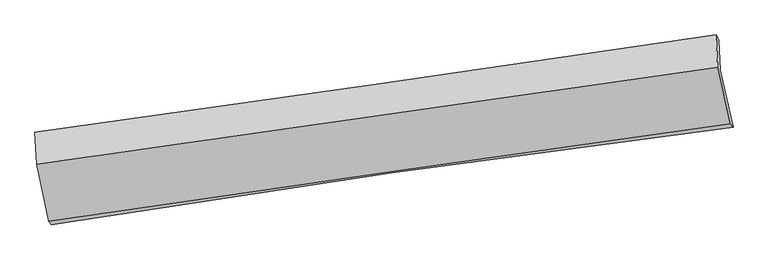
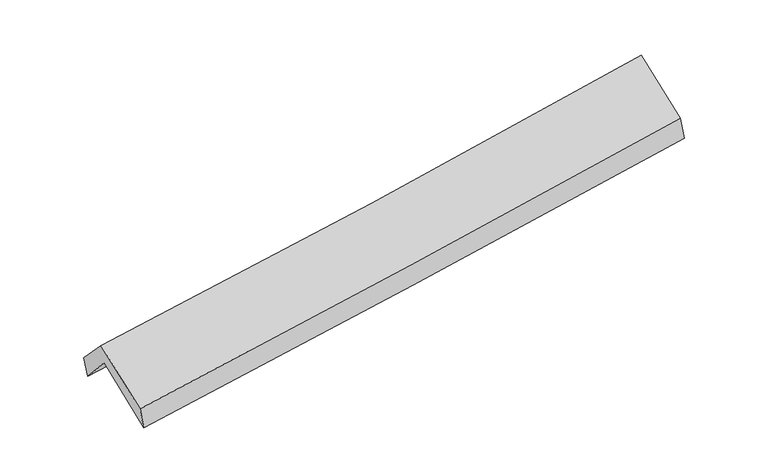
"""IFC4 building model written with IfcOpenShell, lengths in millimetres: proxy geometry."""

from ifc_helpers import new_model, si_unit, frame, origin, place, context, project, spatial, source, transform, mapped, element, save
from ifc_brep_helpers import plane_surface, spline_curve, spline_surface, advanced_brep


def generic_models_7657c694(model_context):
    return source(origin(), model_context, "Body", "AdvancedBrep", [
        advanced_brep(
        [(-2893.9854022, -2516.3155522, 1449.1109474), (-3003.8707403, -2017.3923666, 1882.9925855), (2941.545532, -1171.0574581, 2377.9706333), (3055.059267, -1666.5793933, 1940.3698475), (-3015.969814, -1750.9991603, 1578.2008838), (2929.4462675, -904.6600497, 2073.1741239), (-3037.4607689, -1711.5320956, 1759.9452885), (2906.0927457, -861.1326661, 2259.3277119), (-3022.6836102, -1989.9854002, 2053.9967344), (2921.1482014, -1143.0978295, 2557.109983), (-2914.8988621, -2487.0790587, 1641.260789), (3031.7155518, -1636.0058714, 2147.7303531)],
        [
            (0, 1),
            (1, 2, spline_curve(3, [(-3003.8707403, -2017.3923666, 1882.9925855), (-2011.11459181, -1863.873374327, 1931.602236288), (-1018.896745455, -1716.535464781, 1997.200927059), (962.906991649, -1434.443202357, 2162.246859326), (1952.494569027, -1299.669475616, 2261.640850956), (2941.545532, -1171.0574581, 2377.9706333)], [4, 2, 4], [0.0, 9.897187642848666, 19.7788525105735])),
            (2, 3),
            (3, 0, spline_curve(3, [(3055.059267, -1666.5793933, 1940.3698475), (2063.958392176, -1789.665309441, 1832.132100238), (1073.043162471, -1921.956809659, 1737.096744303), (-909.972310868, -2205.173251954, 1573.302266844), (-1902.071970866, -2356.127137802, 1504.584656096), (-2893.9854022, -2516.3155522, 1449.1109474)], [4, 2, 4], [0.0, 9.881664867724835, 19.7788525105735])),
            (1, 4),
            (4, 5, spline_curve(3, [(-3015.969814, -1750.9991603, 1578.2008838), (-2023.017970121, -1601.788921869, 1631.740361689), (-1030.702368638, -1456.603348093, 1699.80163052), (951.100997523, -1174.502925649, 1864.838226592), (1940.590756625, -1037.575462955, 1961.768038094), (2929.4462675, -904.6600497, 2073.1741239)], [4, 2, 4], [0.0, 9.89403117418702, 19.772544523863957])),
            (5, 2),
            (4, 6),
            (6, 7, spline_curve(3, [(-3037.4607689, -1711.5320956, 1759.9452885), (-2044.078132622, -1573.89371586, 1825.91854464), (-1051.702761255, -1434.150638877, 1900.559832275), (929.478586311, -1150.677565545, 2067.04780877), (1918.287720112, -1006.954165775, 2158.867328666), (2906.0927457, -861.1326661, 2259.3277119)], [4, 2, 4], [0.0, 9.892489595864307, 19.769463785034024])),
            (7, 5),
            (6, 8),
            (8, 9, spline_curve(3, [(-3022.6836102, -1989.9854002, 2053.9967344), (-2029.433961213, -1849.514800758, 2116.983246857), (-1037.101803655, -1708.649839973, 2190.443724849), (944.172590886, -1426.352747319, 2358.180970348), (1933.117703937, -1284.921851177, 2452.424908213), (2921.1482014, -1143.0978295, 2557.109983)], [4, 2, 4], [0.0, 9.891514143221883, 19.767514409651668])),
            (9, 7),
            (8, 10),
            (10, 11, spline_curve(3, [(-2914.8988621, -2487.0790587, 1641.260789), (-1922.460155103, -2339.608004383, 1710.036905413), (-930.300902602, -2194.896214327, 1786.670045796), (1051.903026119, -1911.213800188, 1955.517860407), (2041.948578202, -1772.234527984, 2047.707907792), (3031.7155518, -1636.0058714, 2147.7303531)], [4, 2, 4], [0.0, 9.894515613086732, 19.773512641868138])),
            (11, 9),
            (10, 0),
            (3, 11),
        ],
        [
            spline_surface(3, 3, [[(-2893.9854022, -2516.3155522, 1449.1109474), (-1902.071970889, -2356.127137826, 1504.584655937), (-909.972310908, -2205.173251864, 1573.302266737), (1073.043162511, -1921.956809749, 1737.09674441), (2063.958392301, -1789.665309443, 1832.132100291), (3055.059267, -1666.5793933, 1940.3698475)], [(-2930.613848249, -2350.007823652, 1593.738160095), (-1938.419511264, -2192.042549976, 1646.92384933), (-946.28045574, -2042.293989518, 1714.601820196), (1036.331105504, -1759.452273935, 1878.813449354), (2026.803784551, -1626.333364839, 1975.301683801), (3017.221355352, -1501.405414897, 2086.236776093)], [(-2967.242294251, -2183.700095148, 1738.365372805), (-1974.767051593, -2027.957962169, 1789.263042737), (-982.588600517, -1879.414727176, 1855.901373669), (999.61904855, -1596.947738123, 2020.530154312), (1989.649176745, -1463.001420243, 2118.471267332), (2979.383443648, -1336.231436503, 2232.103704707)], [(-3003.8707403, -2017.3923666, 1882.9925855), (-2011.114591968, -1863.873374319, 1931.602236129), (-1018.896745349, -1716.53546483, 1997.200927128), (962.906991543, -1434.443202308, 2162.246859256), (1952.494568994, -1299.669475639, 2261.640850842), (2941.545532, -1171.0574581, 2377.9706333)]], [4, 4], [4, 2, 4], [0.0, 2.152479919956673], [0.0, 9.897187642848666, 19.7788525105735]),
            spline_surface(3, 3, [[(-3003.8707403, -2017.3923666, 1882.9925855), (-2011.114591968, -1863.873374319, 1931.602236129), (-1018.896745349, -1716.53546483, 1997.200927128), (962.906991543, -1434.443202308, 2162.246859256), (1952.494568994, -1299.669475639, 2261.640850842), (2941.545532, -1171.0574581, 2377.9706333)], [(-3007.90376488, -1928.594631166, 1781.3953516), (-2015.082384739, -1776.511890207, 1831.648277936), (-1022.831953123, -1629.891425875, 1898.067828196), (958.971660237, -1347.796443472, 2063.110648394), (1948.526631485, -1212.304804753, 2161.683246526), (2937.512443804, -1082.258321985, 2276.371796822)], [(-3011.93678942, -1839.796895734, 1679.7981177), (-2019.050177471, -1689.150406098, 1731.694319745), (-1026.767160931, -1543.247386908, 1798.934729319), (955.036328896, -1261.149684624, 1963.974437587), (1944.558694065, -1124.940133812, 2061.725642246), (2933.479355696, -993.459185815, 2174.772960378)], [(-3015.969814, -1750.9991603, 1578.2008838), (-2023.017970242, -1601.788921986, 1631.740361552), (-1030.702368705, -1456.603347953, 1699.801630387), (951.10099759, -1174.502925789, 1864.838226725), (1940.590756557, -1037.575462926, 1961.76803793), (2929.4462675, -904.6600497, 2073.1741239)]], [4, 4], [4, 2, 4], [0.0, 1.296472854429712], [0.0, 9.89403117418702, 19.772544523863957]),
            spline_surface(3, 3, [[(-3015.969814, -1750.9991603, 1578.2008838), (-2023.017970242, -1601.788921986, 1631.740361552), (-1030.702368705, -1456.603347953, 1699.801630387), (951.10099759, -1174.502925789, 1864.838226725), (1940.590756557, -1037.575462926, 1961.76803793), (2929.4462675, -904.6600497, 2073.1741239)], [(-3023.13346562, -1737.843472089, 1638.782352055), (-2030.038024319, -1592.490519928, 1696.466422574), (-1037.70249957, -1449.119111597, 1766.721031051), (943.89352721, -1166.561139029, 1932.241420737), (1933.156411087, -1027.368363905, 2027.467801548), (2921.661760247, -890.150921813, 2135.225319899)], [(-3030.29711728, -1724.687783811, 1699.363820245), (-2037.058078435, -1583.192117802, 1761.192483531), (-1044.702630482, -1441.634875255, 1833.640431668), (936.686056782, -1158.619352283, 1999.6446147), (1925.722065576, -1017.161264945, 2093.167565166), (2913.877252953, -875.641793987, 2197.276515901)], [(-3037.4607689, -1711.5320956, 1759.9452885), (-2044.078132511, -1573.893715743, 1825.918544553), (-1051.702761347, -1434.150638899, 1900.559832332), (929.478586402, -1150.677565523, 2067.047808712), (1918.287720106, -1006.954165924, 2158.867328783), (2906.0927457, -861.1326661, 2259.3277119)]], [4, 4], [4, 2, 4], [0.0, 0.6690405329000486], [0.0, 9.892489595864307, 19.769463785034024]),
            spline_surface(3, 3, [[(-3037.4607689, -1711.5320956, 1759.9452885), (-2044.078132511, -1573.893715743, 1825.918544553), (-1051.702761347, -1434.150638899, 1900.559832332), (929.478586402, -1150.677565523, 2067.047808712), (1918.287720106, -1006.954165924, 2158.867328783), (2906.0927457, -861.1326661, 2259.3277119)], [(-3032.535049333, -1804.349863791, 1857.962437108), (-2039.19674209, -1665.767410789, 1922.94011193), (-1046.835775493, -1525.650372648, 1997.187796537), (934.376587935, -1242.569292739, 2164.092195871), (1923.231048092, -1099.610060975, 2256.719855264), (2911.111230923, -955.121053907, 2358.588468952)], [(-3027.609329767, -1897.167632009, 1955.979585792), (-2034.315351669, -1757.641105862, 2019.961679382), (-1041.968789632, -1617.150106385, 2093.815760772), (939.274589476, -1334.461019942, 2261.136583061), (1928.174376109, -1192.265956003, 2354.572381688), (2916.129716177, -1049.109441693, 2457.849225948)], [(-3022.6836102, -1989.9854002, 2053.9967344), (-2029.433961248, -1849.514800907, 2116.98324676), (-1037.101803778, -1708.649840134, 2190.443724976), (944.172591009, -1426.352747158, 2358.180970221), (1933.117704095, -1284.921851053, 2452.424908168), (2921.1482014, -1143.0978295, 2557.109983)]], [4, 4], [4, 2, 4], [0.0, 1.3134904698507055], [0.0, 9.891514143221883, 19.767514409651668]),
            spline_surface(3, 3, [[(-3022.6836102, -1989.9854002, 2053.9967344), (-2029.433961248, -1849.514800907, 2116.98324676), (-1037.101803778, -1708.649840134, 2190.443724976), (944.172591009, -1426.352747158, 2358.180970221), (1933.117704095, -1284.921851053, 2452.424908168), (2921.1482014, -1143.0978295, 2557.109983)], [(-2986.75536082, -2155.683286374, 1916.418085949), (-1993.776025829, -2012.879202098, 1981.334466275), (-1001.501503387, -1870.731964817, 2055.85249856), (980.08273604, -1587.973098176, 2223.959933613), (1969.394662185, -1447.359410066, 2317.519241434), (2958.003984873, -1307.400510131, 2420.650106375)], [(-2950.82711148, -2321.381172526, 1778.839437451), (-1958.11809045, -2176.243603267, 1845.685685744), (-965.901202986, -2032.81408956, 1921.261272183), (1015.992881081, -1749.593449255, 2089.738897045), (2005.671620257, -1609.796969086, 2182.613574676), (2994.859768327, -1471.703190769, 2284.190229725)], [(-2914.8988621, -2487.0790587, 1641.260789), (-1922.460155031, -2339.608004458, 1710.036905259), (-930.300902595, -2194.896214242, 1786.670045766), (1051.903026112, -1911.213800274, 1955.517860437), (2041.948578347, -1772.234528099, 2047.707907942), (3031.7155518, -1636.0058714, 2147.7303531)]], [4, 4], [4, 2, 4], [0.0, 2.100391082021505], [0.0, 9.894515613086732, 19.773512641868138]),
            spline_surface(3, 3, [[(-2914.8988621, -2487.0790587, 1641.260789), (-1922.460155031, -2339.608004458, 1710.036905259), (-930.300902595, -2194.896214242, 1786.670045766), (1051.903026112, -1911.213800274, 1955.517860437), (2041.948578347, -1772.234528099, 2047.707907942), (3031.7155518, -1636.0058714, 2147.7303531)], [(-2907.927708798, -2496.824556528, 1577.210841793), (-1915.664093649, -2345.114382242, 1641.552822145), (-923.52470537, -2198.321893466, 1715.547452787), (1058.949738241, -1914.794803449, 1882.710821792), (2049.285183, -1778.044788547, 1975.849305384), (3039.496790201, -1646.197045367, 2078.610184559)], [(-2900.956555502, -2506.570054372, 1513.160894607), (-1908.868032272, -2350.620760043, 1573.068739051), (-916.748508133, -2201.747572639, 1644.424859716), (1065.996450382, -1918.375806574, 1809.903783056), (2056.621787648, -1783.855048995, 1903.990702849), (3047.278028599, -1656.388219333, 2009.490016041)], [(-2893.9854022, -2516.3155522, 1449.1109474), (-1902.071970889, -2356.127137826, 1504.584655937), (-909.972310908, -2205.173251864, 1573.302266737), (1073.043162511, -1921.956809749, 1737.09674441), (2063.958392301, -1789.665309443, 1832.132100291), (3055.059267, -1666.5793933, 1940.3698475)]], [4, 4], [4, 2, 4], [0.0, 0.7123959597354994], [0.0, 9.898679024643135, 19.78183293507531]),
            plane_surface(frame((2964.1679276, -1230.4222113, 2225.9471088), z_axis=(0.9851235038651666, 0.14685513487104687, 0.08924825765483652), x_axis=(0.1700482520776154, -0.7580732525644962, -0.6296098281567986))),
            plane_surface(frame((-2981.4781996, -2078.8839389, 1727.5845381), z_axis=(-0.9860529686700525, -0.14272842824549314, -0.08560454863818598), x_axis=(-0.10698337721778997, 0.14956008355037695, 0.9829477801020156))),
        ],
        [
            (0, [[1, 2, 3, 4]]),
            (1, [[5, 6, 7, -2]]),
            (2, [[8, 9, 10, -6]]),
            (3, [[11, 12, 13, -9]]),
            (4, [[14, 15, 16, -12]]),
            (5, [[17, -4, 18, -15]]),
            (6, [[-16, -18, -3, -7, -10, -13]]),
            (7, [[-17, -14, -11, -8, -5, -1]]),
        ],
    ),
    ])


if __name__ == "__main__":
    model = new_model("IFC4")
    model_context = context("Model", 3, world=origin())
    ifc_project = project(units=[si_unit("LENGTHUNIT", "METRE", prefix="MILLI")], contexts=[model_context])
    site = spatial("IfcSite", under=ifc_project)
    building = spatial("IfcBuilding", under=site)
    placement = place(None, origin())
    generic_models_shape = generic_models_7657c694(model_context)
    element("IfcBuildingElementProxy", 1, Name="Generic Models", at=placement, inside=building, context=model_context, shape_type="MappedRepresentation", body=[
        mapped(generic_models_shape, transform((0.0, 0.0, 0.0), x_axis=(1.0, 0.0, 0.0), y_axis=(0.0, 1.0, 0.0), z_axis=(0.0, 0.0, 1.0))),
    ])
    save(model, "model.ifc")
